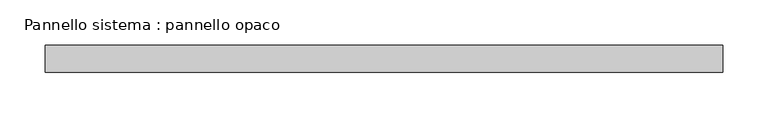
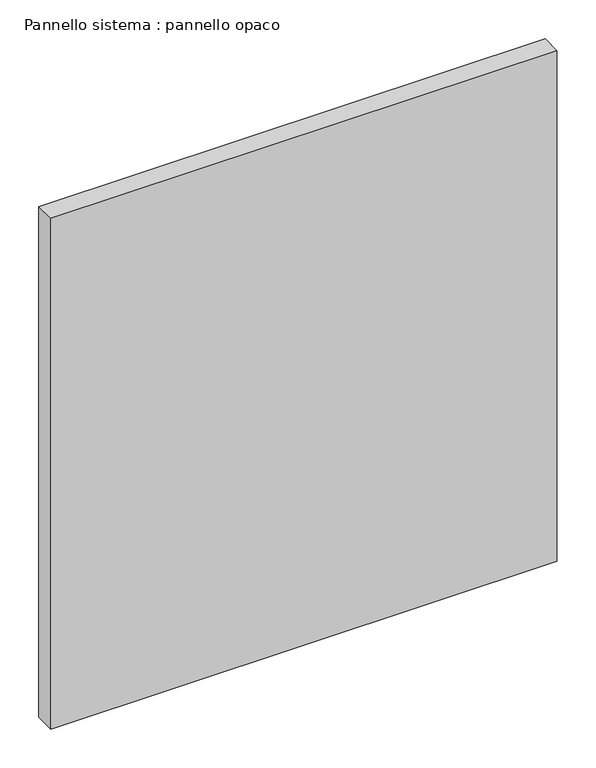
"""IFC4 building model written with IfcOpenShell, lengths in millimetres: plate geometry, Pannello sistema : pannello opaco."""

from ifc_helpers import new_model, si_unit, origin, origin_with_axes, place, context, project, spatial, polyline, outline, extrude, source, transform, mapped, element, save


def pannello_sistema_pannello_opaco_ef1e401c(model_context):
    return source(origin(), model_context, "Body", "SweptSolid", [
        extrude(outline(polyline([(375.0000459, -15.0), (-375.0000459, -15.0), (-375.0000459, 15.0), (375.0000459, 15.0), (375.0000459, -15.0)])), origin_with_axes(), (0.0, 0.0, 1.0), 800.0),
    ])


if __name__ == "__main__":
    model = new_model("IFC4")
    model_context = context("Model", 3, world=origin())
    ifc_project = project(units=[si_unit("LENGTHUNIT", "METRE", prefix="MILLI")], contexts=[model_context])
    site = spatial("IfcSite", under=ifc_project)
    building = spatial("IfcBuilding", under=site)
    placement = place(None, origin())
    pannello_sistema_pannello_opaco_shape = pannello_sistema_pannello_opaco_ef1e401c(model_context)
    element("IfcPlate", 1, ObjectType="Pannello sistema : pannello opaco", at=placement, inside=building, context=model_context, shape_type="MappedRepresentation", body=[
        mapped(pannello_sistema_pannello_opaco_shape, transform((0.0, 0.0, 0.0), x_axis=(1.0, 0.0, 0.0), y_axis=(0.0, 1.0, 0.0), z_axis=(0.0, 0.0, 1.0))),
    ])
    save(model, "model.ifc")
